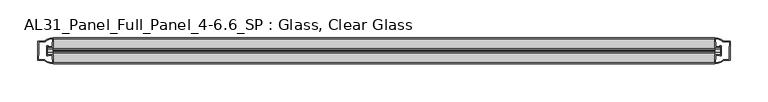
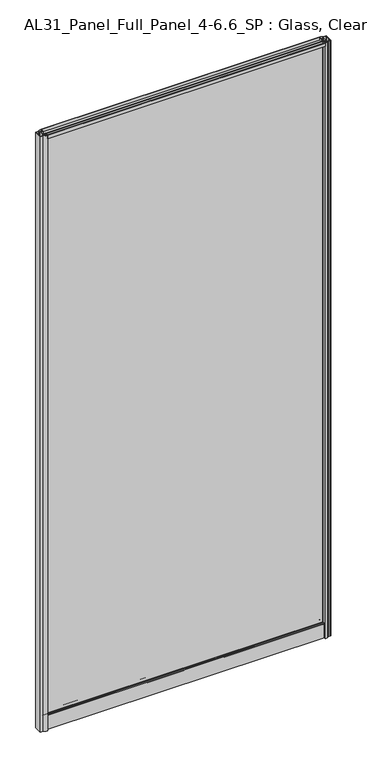
"""IFC4 building model written with IfcOpenShell, lengths in millimetres: plate geometry, AL31_Panel_Full_Panel_4-6.6_SP : Glass, Clear Glass."""

import ifcopenshell
import ifcopenshell.guid

model = None  # the IFC model being written
_history = None  # IfcOwnerHistory: only IFC2X3 demands one
_inside = {}  # id of a spatial element -> (the spatial element, [elements in it])
_under = {}  # id of a project, library or spatial element -> (it, [spatial elements below it])
_declared = {}  # id of a project -> (the project, [libraries it declares])
_typed = {}  # id of a type object -> (the type object, [elements of that type])
_made_of = {}  # id of a material, layer set ... -> (it, [elements and type objects made of it])


def new_model(schema):
    """Start an empty IFC model of exactly this schema.

    Asked for "IFC4X3", IfcOpenShell would pick the latest addendum, in which some entities
    have other attributes; the version numbers below select the first issue.
    IFC2X3 requires an IfcOwnerHistory on every rooted entity: one is made here for all.
    """
    global model, _history
    if schema == "IFC4X3":
        model = ifcopenshell.file(schema_version=(4, 3, 0, 0))
    else:
        model = ifcopenshell.file(schema=schema)
    _inside.clear()
    _under.clear()
    _declared.clear()
    _typed.clear()
    _made_of.clear()
    _history = None
    if model.schema == "IFC2X3":
        org = make("IfcOrganization", Name="unknown")
        user = make(
            "IfcPersonAndOrganization",
            ThePerson=make("IfcPerson", FamilyName="unknown"),
            TheOrganization=org,
        )
        app = make(
            "IfcApplication",
            ApplicationDeveloper=org,
            Version="unknown",
            ApplicationFullName="unknown",
            ApplicationIdentifier="unknown",
        )
        _history = make(
            "IfcOwnerHistory",
            OwningUser=user,
            OwningApplication=app,
            ChangeAction="ADDED",
            CreationDate=0,
        )
    return model


def make(cls, **values):
    """One entity of the class cls with the attributes given. An attribute that is None is left unset."""
    return model.create_entity(
        cls, **{name: value for name, value in values.items() if value is not None}
    )


def rooted(cls, **values):
    """An entity with a GlobalId (a new one), such as an element, a storey or a relation."""
    return make(cls, GlobalId=ifcopenshell.guid.new(), OwnerHistory=_history, **values)


def si_unit(unit_type, name, prefix=None):
    """IfcSIUnit, for example si_unit("LENGTHUNIT", "METRE", prefix="MILLI")."""
    return make("IfcSIUnit", UnitType=unit_type, Prefix=prefix, Name=name)


def assignment(units):
    """IfcUnitAssignment: the units of a project."""
    return None if units is None else make("IfcUnitAssignment", Units=units)


def point(xyz):
    """IfcCartesianPoint."""
    return None if xyz is None else make("IfcCartesianPoint", Coordinates=xyz)


def direction(xyz):
    """IfcDirection."""
    return None if xyz is None else make("IfcDirection", DirectionRatios=xyz)


def frame(location, z_axis=None, x_axis=None):
    """IfcAxis2Placement3D, a coordinate frame: its origin and axes. An axis left out is left unset."""
    return make(
        "IfcAxis2Placement3D",
        Location=point(location),
        Axis=direction(z_axis),
        RefDirection=direction(x_axis),
    )


def frame_2d(location, x_axis=None):
    """IfcAxis2Placement2D, a coordinate frame in the plane: its origin and x axis."""
    return make(
        "IfcAxis2Placement2D", Location=point(location), RefDirection=direction(x_axis)
    )


def origin():
    """The frame at (0, 0, 0) with its axes left unset."""
    return frame((0.0, 0.0, 0.0))


def origin_with_axes():
    """The frame at (0, 0, 0) with the z axis (0, 0, 1) and the x axis (1, 0, 0) written out."""
    return frame((0.0, 0.0, 0.0), z_axis=(0.0, 0.0, 1.0), x_axis=(1.0, 0.0, 0.0))


def place(relative_to, where):
    """IfcLocalPlacement: puts the frame where relative to a parent placement (None: the world)."""
    return make(
        "IfcLocalPlacement", PlacementRelTo=relative_to, RelativePlacement=where
    )


def context(
    kind, dimensions, precision=None, world=None, true_north=None, identifier=None
):
    """IfcGeometricRepresentationContext, for example the 3D "Model" context."""
    return make(
        "IfcGeometricRepresentationContext",
        ContextIdentifier=identifier,
        ContextType=kind,
        CoordinateSpaceDimension=dimensions,
        Precision=precision,
        WorldCoordinateSystem=world,
        TrueNorth=true_north,
    )


def project(units=None, contexts=None):
    """IfcProject with its units and contexts."""
    return rooted(
        "IfcProject",
        Name="project",
        RepresentationContexts=contexts,
        UnitsInContext=assignment(units),
    )


def spatial(cls, under=None, at=None, **own):
    """A site, building, storey or space (cls), placed at a placement, below another one or the project."""
    s = rooted(cls, ObjectPlacement=at, **own)
    if under is not None:
        _under.setdefault(under.id(), (under, []))[1].append(s)
    return s


def polyline(points):
    """IfcPolyline through the points."""
    return make("IfcPolyline", Points=[point(p) for p in points])


def circle_curve(where, radius):
    """IfcCircle in the frame where."""
    return make("IfcCircle", Position=where, Radius=radius)


def trimmed(basis, trim1, trim2, sense, master):
    """IfcTrimmedCurve: the piece of a basis curve between two trims."""
    return make(
        "IfcTrimmedCurve",
        BasisCurve=basis,
        Trim1=trim1,
        Trim2=trim2,
        SenseAgreement=sense,
        MasterRepresentation=master,
    )


def segment(curve, same_sense, transition):
    """IfcCompositeCurveSegment."""
    return make(
        "IfcCompositeCurveSegment",
        Transition=transition,
        SameSense=same_sense,
        ParentCurve=curve,
    )


def composite_curve(segments, self_intersect=None):
    """IfcCompositeCurve: segments joined end to end."""
    return make("IfcCompositeCurve", Segments=segments, SelfIntersect=self_intersect)


def outline(outer, holes=None, kind="AREA"):
    """IfcArbitraryClosedProfileDef: a profile drawn as a closed curve; with holes, ...WithVoids."""
    if holes is None:
        return make("IfcArbitraryClosedProfileDef", ProfileType=kind, OuterCurve=outer)
    return make(
        "IfcArbitraryProfileDefWithVoids",
        ProfileType=kind,
        OuterCurve=outer,
        InnerCurves=holes,
    )


def extrude(swept, where, along, depth):
    """IfcExtrudedAreaSolid: the profile swept, set in the frame where, extruded along a direction by depth."""
    return make(
        "IfcExtrudedAreaSolid",
        SweptArea=swept,
        Position=where,
        ExtrudedDirection=direction(along),
        Depth=depth,
    )


def shape(context_of_items, identifier, shape_type, items):
    """IfcShapeRepresentation: the items that make up one representation, for example the "Body"."""
    return make(
        "IfcShapeRepresentation",
        ContextOfItems=context_of_items,
        RepresentationIdentifier=identifier,
        RepresentationType=shape_type,
        Items=items,
    )


def source(mapping_origin, context_of_items, identifier, shape_type, items):
    """IfcRepresentationMap: a shape defined once, which mapped items show again and again."""
    return make(
        "IfcRepresentationMap",
        MappingOrigin=mapping_origin,
        MappedRepresentation=shape(context_of_items, identifier, shape_type, items),
    )


def transform(
    local_origin,
    x_axis=None,
    y_axis=None,
    z_axis=None,
    scale=None,
    scale2=None,
    scale3=None,
    uniform=True,
):
    """IfcCartesianTransformationOperator3D, or its non-uniform kind. x_axis, y_axis, z_axis: its Axis1, 2, 3."""
    if uniform:
        return make(
            "IfcCartesianTransformationOperator3D",
            Axis1=direction(x_axis),
            Axis2=direction(y_axis),
            LocalOrigin=point(local_origin),
            Scale=scale,
            Axis3=direction(z_axis),
        )
    return make(
        "IfcCartesianTransformationOperator3DnonUniform",
        Axis1=direction(x_axis),
        Axis2=direction(y_axis),
        LocalOrigin=point(local_origin),
        Scale=scale,
        Axis3=direction(z_axis),
        Scale2=scale2,
        Scale3=scale3,
    )


def mapped(mapping_source, mapping_target):
    """IfcMappedItem: shows the shape of a source again, moved by a transform."""
    return make(
        "IfcMappedItem", MappingSource=mapping_source, MappingTarget=mapping_target
    )


def made_of(thing, what):
    """Note that an element or type object is made of a material, layer set ...; save() writes the relation."""
    if what is not None:
        _made_of.setdefault(what.id(), (what, []))[1].append(thing)
    return thing


def element(
    cls,
    number,
    at=None,
    inside=None,
    cuts=None,
    type_object=None,
    material=None,
    context=None,
    identifier="Body",
    shape_type=None,
    held_by="IfcProductDefinitionShape",
    body=None,
    shapes=None,
    **own,
):
    """One element of the class cls, such as IfcWall. Its Tag is "e" and its number.

    at: its placement. inside: the storey or other place that contains it. cuts: it is an
    opening in that element (IfcRelVoidsElement). A single representation is given by context,
    identifier, shape_type and body (its items); several are given by shapes. held_by: the class
    of the entity that holds the representations. save() writes the other relations.
    """
    e = rooted(cls, Tag="e%d" % number, ObjectPlacement=at, **own)
    if body is not None:
        shapes = [shape(context, identifier, shape_type, body)]
    if shapes is not None:
        e.Representation = make(held_by, Representations=shapes)
    if inside is not None:
        _inside.setdefault(inside.id(), (inside, []))[1].append(e)
    if cuts is not None:
        rooted(
            "IfcRelVoidsElement", RelatingBuildingElement=cuts, RelatedOpeningElement=e
        )
    if type_object is not None:
        _typed.setdefault(type_object.id(), (type_object, []))[1].append(e)
    return made_of(e, material)


def aggregate(whole, parts):
    """IfcRelAggregates: a whole, such as a stair, and the parts it consists of."""
    return rooted("IfcRelAggregates", RelatingObject=whole, RelatedObjects=parts)


def save(model, path):
    """Write the relations noted so far, then the file.

    IfcRelAggregates (storeys below a building ...), IfcRelContainedInSpatialStructure (elements
    in a storey), IfcRelDefinesByType, IfcRelAssociatesMaterial and IfcRelDeclares: one each for
    every whole, place, type object, material and project.
    """
    for whole, parts in _under.values():
        aggregate(whole, parts)
    for where, things in _inside.values():
        rooted(
            "IfcRelContainedInSpatialStructure",
            RelatedElements=things,
            RelatingStructure=where,
        )
    for kind, things in _typed.values():
        rooted("IfcRelDefinesByType", RelatedObjects=things, RelatingType=kind)
    for what, things in _made_of.values():
        rooted("IfcRelAssociatesMaterial", RelatedObjects=things, RelatingMaterial=what)
    for by, libraries in _declared.values():
        rooted("IfcRelDeclares", RelatingContext=by, RelatedDefinitions=libraries)
    model.write(path)


def al31_panel_full_panel_4_6_6_sp_glass_clear_glass_04f2cde8(model_context):
    return source(origin(), model_context, "Body", "SweptSolid", [
        extrude(outline(composite_curve([segment(polyline([(-1.4, 1968.8980762), (-0.85, 1967.9454483)]), True, "CONTINUOUS"), segment(trimmed(circle_curve(frame_2d((0.1, 1966.3)), 1.9), [point((-0.85, 1967.9454483))], [point((1.05, 1967.9454483))], True, "CARTESIAN"), True, "CONTINUOUS"), segment(polyline([(1.05, 1967.9454483), (1.6, 1968.8980762)]), True, "CONTINUOUS"), segment(trimmed(circle_curve(frame_2d((0.1, 1966.3)), 3.0), [point((1.6, 1968.8980762))], [point((2.5718414, 1964.6))], False, "CARTESIAN"), True, "CONTINUOUS"), segment(polyline([(2.5718414, 1964.6), (15.7, 1964.6), (15.7, 1974.0), (17.0, 1974.0), (17.0, 1963.5), (6.7024688, 1963.5), (6.7024688, 1962.7), (6.1968782, 1960.7785039), (6.1968782, 1956.1), (5.0, 1956.1), (5.0, 1961.4339746), (5.5, 1962.3), (5.5, 1963.5), (-5.5, 1963.5), (-5.5, 1962.3), (-5.0, 1961.4339746), (-5.0, 1956.1), (-6.1968782, 1956.1), (-6.1968782, 1960.7785039), (-6.7024688, 1962.7), (-6.7024688, 1963.5), (-17.0, 1963.5), (-17.0, 1974.0), (-15.7, 1974.0), (-15.7, 1964.6), (-2.3718414, 1964.6)]), True, "CONTINUOUS"), segment(trimmed(circle_curve(frame_2d((0.1, 1966.3)), 3.0), [point((-2.3718414, 1964.6))], [point((-1.4, 1968.8980762))], False, "CARTESIAN"), True, "CONTINUOUS")], self_intersect=False)), frame((-436.0302649, 0.0, 0.0), z_axis=(1.0, 0.0, 0.0), x_axis=(0.0, 1.0, 0.0)), (0.0, 0.0, 1.0), 872.0605297),
        extrude(outline(composite_curve([segment(polyline([(-443.8716862, -5.9), (-442.6716862, -5.9), (-442.6716862, -5.0), (-436.0302649, -5.0), (-436.0302649, -17.0001453)]), True, "CONTINUOUS"), segment(trimmed(circle_curve(frame_2d((-435.6656133, 2.9965302)), 20.0), [point((-436.0302649, -17.0001453))], [point((-447.3861001, -13.2093388))], False, "CARTESIAN"), True, "CONTINUOUS"), segment(polyline([(-447.3861001, -13.2093388), (-447.3861001, -12.3279343), (-456.0302649, -12.3279343), (-456.0302649, 12.3720657), (-447.3861001, 12.3720657), (-447.3861001, 13.2095249)]), True, "CONTINUOUS"), segment(trimmed(circle_curve(frame_2d((-435.6656133, -2.9963441)), 20.0), [point((-447.3861001, 13.2095249))], [point((-436.0302649, 17.0003314))], False, "CARTESIAN"), True, "CONTINUOUS"), segment(polyline([(-436.0302649, 17.0003314), (-436.0302649, 5.0), (-442.6716862, 5.0), (-442.6716862, 5.9), (-443.8716862, 5.9), (-443.8716862, -5.9)]), True, "CONTINUOUS")], self_intersect=False), holes=[composite_curve([segment(trimmed(circle_curve(frame_2d((-442.8716862, 5.7)), 1.5), [point((-442.8716862, 7.2))], [point((-441.5164319, 6.3428731))], False, "CARTESIAN"), True, "CONTINUOUS"), segment(polyline([(-441.5164319, 6.3428731), (-437.7716862, 6.3428731), (-437.7716862, 10.939223), (-437.3323464, 11.9998832), (-437.3323464, 15.6499817)]), True, "CONTINUOUS"), segment(trimmed(circle_curve(frame_2d((-435.6656133, -2.9755921)), 18.7), [point((-437.3323464, 15.6499817))], [point((-445.672391, 12.8216987))], True, "CARTESIAN"), True, "CONTINUOUS"), segment(trimmed(circle_curve(frame_2d((-447.4716862, 12.8720657)), 1.8), [point((-445.672391, 12.8216987))], [point((-447.4716862, 11.0720657))], False, "CARTESIAN"), True, "CONTINUOUS"), segment(polyline([(-447.4716862, 11.0720657), (-454.6131075, 11.0720657), (-454.6131075, 6.5019606), (-454.1716862, 5.439223), (-454.1716862, -5.3950916), (-454.6716862, -6.3879987), (-454.6716862, -11.0279343), (-447.4716862, -11.0279343)]), True, "CONTINUOUS"), segment(trimmed(circle_curve(frame_2d((-447.4716862, -12.8279343)), 1.8), [point((-447.4716862, -11.0279343))], [point((-445.672391, -12.7775673))], False, "CARTESIAN"), True, "CONTINUOUS"), segment(trimmed(circle_curve(frame_2d((-435.6656133, 3.0197235)), 18.7), [point((-445.672391, -12.7775673))], [point((-437.3323464, -15.6058503))], True, "CARTESIAN"), True, "CONTINUOUS"), segment(polyline([(-437.3323464, -15.6058503), (-437.3323464, -11.9557518), (-437.7716862, -10.8950916), (-437.7716862, -6.2991308), (-441.4965345, -6.2991308)]), True, "CONTINUOUS"), segment(trimmed(circle_curve(frame_2d((-442.8716862, -5.7)), 1.5), [point((-441.4965345, -6.2991308))], [point((-442.8716862, -7.2))], False, "CARTESIAN"), True, "CONTINUOUS"), segment(polyline([(-442.8716862, -7.2), (-445.1716862, -7.2), (-445.1716862, 7.2), (-442.8716862, 7.2)]), True, "CONTINUOUS")], self_intersect=False)]), origin_with_axes(), (0.0, 0.0, 1.0), 1974.0),
        extrude(outline(composite_curve([segment(polyline([(443.8716862, 5.9), (442.6716862, 5.9), (442.6716862, 5.0), (436.0302649, 5.0), (436.0302649, 17.0001453)]), True, "CONTINUOUS"), segment(trimmed(circle_curve(frame_2d((435.6656133, -2.9965302)), 20.0), [point((436.0302649, 17.0001453))], [point((447.3861001, 13.2093388))], False, "CARTESIAN"), True, "CONTINUOUS"), segment(polyline([(447.3861001, 13.2093388), (447.3861001, 12.3279343), (456.0302649, 12.3279343), (456.0302649, -12.3720657), (447.3861001, -12.3720657), (447.3861001, -13.2095249)]), True, "CONTINUOUS"), segment(trimmed(circle_curve(frame_2d((435.6656133, 2.9963441)), 20.0), [point((447.3861001, -13.2095249))], [point((436.0302649, -17.0003314))], False, "CARTESIAN"), True, "CONTINUOUS"), segment(polyline([(436.0302649, -17.0003314), (436.0302649, -5.0), (442.6716862, -5.0), (442.6716862, -5.9), (443.8716862, -5.9), (443.8716862, 5.9)]), True, "CONTINUOUS")], self_intersect=False), holes=[composite_curve([segment(trimmed(circle_curve(frame_2d((442.8716862, -5.7)), 1.5), [point((442.8716862, -7.2))], [point((441.5164319, -6.3428731))], False, "CARTESIAN"), True, "CONTINUOUS"), segment(polyline([(441.5164319, -6.3428731), (437.7716862, -6.3428731), (437.7716862, -10.939223), (437.3323464, -11.9998832), (437.3323464, -15.6499817)]), True, "CONTINUOUS"), segment(trimmed(circle_curve(frame_2d((435.6656133, 2.9755921)), 18.7), [point((437.3323464, -15.6499817))], [point((445.672391, -12.8216987))], True, "CARTESIAN"), True, "CONTINUOUS"), segment(trimmed(circle_curve(frame_2d((447.4716862, -12.8720657)), 1.8), [point((445.672391, -12.8216987))], [point((447.4716862, -11.0720657))], False, "CARTESIAN"), True, "CONTINUOUS"), segment(polyline([(447.4716862, -11.0720657), (454.6131075, -11.0720657), (454.6131075, -6.5019606), (454.1716862, -5.439223), (454.1716862, 5.3950916), (454.6716862, 6.3879987), (454.6716862, 11.0279343), (447.4716862, 11.0279343)]), True, "CONTINUOUS"), segment(trimmed(circle_curve(frame_2d((447.4716862, 12.8279343)), 1.8), [point((447.4716862, 11.0279343))], [point((445.672391, 12.7775673))], False, "CARTESIAN"), True, "CONTINUOUS"), segment(trimmed(circle_curve(frame_2d((435.6656133, -3.0197235)), 18.7), [point((445.672391, 12.7775673))], [point((437.3323464, 15.6058503))], True, "CARTESIAN"), True, "CONTINUOUS"), segment(polyline([(437.3323464, 15.6058503), (437.3323464, 11.9557518), (437.7716862, 10.8950916), (437.7716862, 6.2991308), (441.4965345, 6.2991308)]), True, "CONTINUOUS"), segment(trimmed(circle_curve(frame_2d((442.8716862, 5.7)), 1.5), [point((441.4965345, 6.2991308))], [point((442.8716862, 7.2))], False, "CARTESIAN"), True, "CONTINUOUS"), segment(polyline([(442.8716862, 7.2), (445.1716862, 7.2), (445.1716862, -7.2), (442.8716862, -7.2)]), True, "CONTINUOUS")], self_intersect=False)]), origin_with_axes(), (0.0, 0.0, 1.0), 1974.0),
        extrude(outline(composite_curve([segment(trimmed(circle_curve(frame_2d((-8.4, 34.8)), 1.0), [point((-8.4, 35.8))], [point((-9.4, 34.8))], True, "CARTESIAN"), True, "CONTINUOUS"), segment(polyline([(-9.4, 34.8), (-9.4, 33.5), (-5.0000303, 33.5), (-5.0000303, 32.3), (-9.4, 32.3), (-9.4, 0.0), (-10.6, 0.0), (-10.6, 47.3)]), True, "CONTINUOUS"), segment(trimmed(circle_curve(frame_2d((-8.6, 47.3)), 2.0), [point((-10.6, 47.3))], [point((-8.6, 49.3))], False, "CARTESIAN"), True, "CONTINUOUS"), segment(polyline([(-8.6, 49.3), (-5.0, 49.3), (-5.0, 41.9), (5.0, 41.9), (5.0, 49.3), (8.6, 49.3)]), True, "CONTINUOUS"), segment(trimmed(circle_curve(frame_2d((8.6, 47.3)), 2.0), [point((8.6, 49.3))], [point((10.6, 47.3))], False, "CARTESIAN"), True, "CONTINUOUS"), segment(polyline([(10.6, 47.3), (10.6, 0.0), (9.4, 0.0), (9.4, 32.3), (4.9999697, 32.3), (4.9999697, 33.5), (9.4, 33.5), (9.4, 34.8)]), True, "CONTINUOUS"), segment(trimmed(circle_curve(frame_2d((8.4, 34.8)), 1.0), [point((9.4, 34.8))], [point((8.4, 35.8))], True, "CARTESIAN"), True, "CONTINUOUS"), segment(polyline([(8.4, 35.8), (-8.4, 35.8)]), True, "CONTINUOUS")], self_intersect=False), holes=[composite_curve([segment(trimmed(circle_curve(frame_2d((5.5024688, 41.8)), 1.0), [point((6.5024688, 41.8))], [point((5.5024688, 40.8))], False, "CARTESIAN"), True, "CONTINUOUS"), segment(polyline([(5.5024688, 40.8), (2.8008965, 40.8), (2.8008965, 39.7274194), (1.8370508, 39.7274194)]), True, "CONTINUOUS"), segment(trimmed(circle_curve(frame_2d((0.0, 38.7)), 2.1048387), [point((1.8370508, 39.7274194))], [point((-1.8370508, 39.7274194))], True, "CARTESIAN"), True, "CONTINUOUS"), segment(polyline([(-1.8370508, 39.7274194), (-2.8008965, 39.7274194), (-2.8008965, 40.8), (-5.5024688, 40.8)]), True, "CONTINUOUS"), segment(trimmed(circle_curve(frame_2d((-5.5024688, 41.8)), 1.0), [point((-5.5024688, 40.8))], [point((-6.5024688, 41.8))], False, "CARTESIAN"), True, "CONTINUOUS"), segment(polyline([(-6.5024688, 41.8), (-6.5024688, 42.7)]), True, "CONTINUOUS"), segment(trimmed(circle_curve(frame_2d((-5.3024688, 42.7)), 1.2), [point((-6.5024688, 42.7))], [point((-6.1198184, 43.5786009))], False, "CARTESIAN"), True, "CONTINUOUS"), segment(polyline([(-6.1198184, 43.5786009), (-6.1198184, 48.2), (-8.4, 48.2)]), True, "CONTINUOUS"), segment(trimmed(circle_curve(frame_2d((-8.4, 47.2)), 1.0), [point((-8.4, 48.2))], [point((-9.4, 47.2))], True, "CARTESIAN"), True, "CONTINUOUS"), segment(polyline([(-9.4, 47.2), (-9.4, 37.04), (-2.8008965, 37.04), (-2.8008965, 38.0725806), (-1.8370508, 38.0725806)]), True, "CONTINUOUS"), segment(trimmed(circle_curve(frame_2d((0.0, 39.1)), 2.1048387), [point((-1.8370508, 38.0725806))], [point((1.8370508, 38.0725806))], True, "CARTESIAN"), True, "CONTINUOUS"), segment(polyline([(1.8370508, 38.0725806), (2.8008965, 38.0725806), (2.8008965, 37.04), (9.4, 37.04), (9.4, 47.2)]), True, "CONTINUOUS"), segment(trimmed(circle_curve(frame_2d((8.4, 47.2)), 1.0), [point((9.4, 47.2))], [point((8.4, 48.2))], True, "CARTESIAN"), True, "CONTINUOUS"), segment(polyline([(8.4, 48.2), (6.1198184, 48.2), (6.1198184, 43.7786009)]), True, "CONTINUOUS"), segment(trimmed(circle_curve(frame_2d((5.3024688, 42.9)), 1.2), [point((6.1198184, 43.7786009))], [point((6.5024688, 42.9))], False, "CARTESIAN"), True, "CONTINUOUS"), segment(polyline([(6.5024688, 42.9), (6.5024688, 41.8)]), True, "CONTINUOUS")], self_intersect=False)]), frame((-436.0302649, 0.0, 0.0), z_axis=(1.0, 0.0, 0.0), x_axis=(0.0, 1.0, 0.0)), (0.0, 0.0, 1.0), 872.0605297),
        extrude(outline(polyline([(443.8716862, 2.0), (443.8716862, -2.0), (-443.8716862, -2.0), (-443.8716862, 2.0), (443.8716862, 2.0)])), frame((0.0, 0.0, 41.9), z_axis=(0.0, 0.0, 1.0), x_axis=(1.0, 0.0, 0.0)), (0.0, 0.0, 1.0), 1921.6),
    ])


if __name__ == "__main__":
    model = new_model("IFC4")
    model_context = context("Model", 3, world=origin())
    ifc_project = project(units=[si_unit("LENGTHUNIT", "METRE", prefix="MILLI")], contexts=[model_context])
    site = spatial("IfcSite", under=ifc_project)
    building = spatial("IfcBuilding", under=site)
    placement = place(None, origin())
    al31_panel_full_panel_4_6_6_sp_glass_clear_glass_shape = al31_panel_full_panel_4_6_6_sp_glass_clear_glass_04f2cde8(model_context)
    element("IfcPlate", 1, ObjectType="AL31_Panel_Full_Panel_4-6.6_SP : Glass, Clear Glass", at=placement, inside=building, context=model_context, shape_type="MappedRepresentation", body=[
        mapped(al31_panel_full_panel_4_6_6_sp_glass_clear_glass_shape, transform((0.0, 0.0, 0.0), x_axis=(1.0, 0.0, 0.0), y_axis=(0.0, 1.0, 0.0), z_axis=(0.0, 0.0, 1.0))),
    ])
    save(model, "model.ifc")
